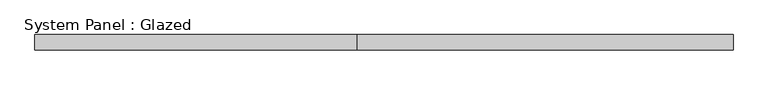
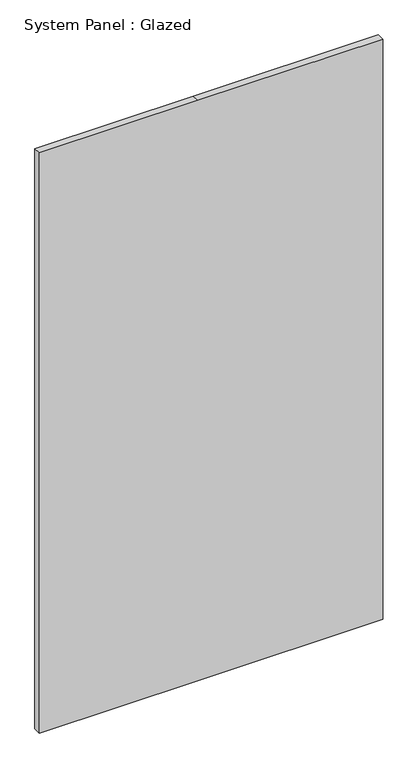
"""IFC4 building model written with IfcOpenShell, lengths in millimetres: plate geometry, System Panel : Glazed."""

import ifcopenshell
import ifcopenshell.guid

model = None  # the IFC model being written
_history = None  # IfcOwnerHistory: only IFC2X3 demands one
_inside = {}  # id of a spatial element -> (the spatial element, [elements in it])
_under = {}  # id of a project, library or spatial element -> (it, [spatial elements below it])
_declared = {}  # id of a project -> (the project, [libraries it declares])
_typed = {}  # id of a type object -> (the type object, [elements of that type])
_made_of = {}  # id of a material, layer set ... -> (it, [elements and type objects made of it])


def new_model(schema):
    """Start an empty IFC model of exactly this schema.

    Asked for "IFC4X3", IfcOpenShell would pick the latest addendum, in which some entities
    have other attributes; the version numbers below select the first issue.
    IFC2X3 requires an IfcOwnerHistory on every rooted entity: one is made here for all.
    """
    global model, _history
    if schema == "IFC4X3":
        model = ifcopenshell.file(schema_version=(4, 3, 0, 0))
    else:
        model = ifcopenshell.file(schema=schema)
    _inside.clear()
    _under.clear()
    _declared.clear()
    _typed.clear()
    _made_of.clear()
    _history = None
    if model.schema == "IFC2X3":
        org = make("IfcOrganization", Name="unknown")
        user = make(
            "IfcPersonAndOrganization",
            ThePerson=make("IfcPerson", FamilyName="unknown"),
            TheOrganization=org,
        )
        app = make(
            "IfcApplication",
            ApplicationDeveloper=org,
            Version="unknown",
            ApplicationFullName="unknown",
            ApplicationIdentifier="unknown",
        )
        _history = make(
            "IfcOwnerHistory",
            OwningUser=user,
            OwningApplication=app,
            ChangeAction="ADDED",
            CreationDate=0,
        )
    return model


def make(cls, **values):
    """One entity of the class cls with the attributes given. An attribute that is None is left unset."""
    return model.create_entity(
        cls, **{name: value for name, value in values.items() if value is not None}
    )


def rooted(cls, **values):
    """An entity with a GlobalId (a new one), such as an element, a storey or a relation."""
    return make(cls, GlobalId=ifcopenshell.guid.new(), OwnerHistory=_history, **values)


def si_unit(unit_type, name, prefix=None):
    """IfcSIUnit, for example si_unit("LENGTHUNIT", "METRE", prefix="MILLI")."""
    return make("IfcSIUnit", UnitType=unit_type, Prefix=prefix, Name=name)


def assignment(units):
    """IfcUnitAssignment: the units of a project."""
    return None if units is None else make("IfcUnitAssignment", Units=units)


def point(xyz):
    """IfcCartesianPoint."""
    return None if xyz is None else make("IfcCartesianPoint", Coordinates=xyz)


def direction(xyz):
    """IfcDirection."""
    return None if xyz is None else make("IfcDirection", DirectionRatios=xyz)


def frame(location, z_axis=None, x_axis=None):
    """IfcAxis2Placement3D, a coordinate frame: its origin and axes. An axis left out is left unset."""
    return make(
        "IfcAxis2Placement3D",
        Location=point(location),
        Axis=direction(z_axis),
        RefDirection=direction(x_axis),
    )


def origin():
    """The frame at (0, 0, 0) with its axes left unset."""
    return frame((0.0, 0.0, 0.0))


def place(relative_to, where):
    """IfcLocalPlacement: puts the frame where relative to a parent placement (None: the world)."""
    return make(
        "IfcLocalPlacement", PlacementRelTo=relative_to, RelativePlacement=where
    )


def context(
    kind, dimensions, precision=None, world=None, true_north=None, identifier=None
):
    """IfcGeometricRepresentationContext, for example the 3D "Model" context."""
    return make(
        "IfcGeometricRepresentationContext",
        ContextIdentifier=identifier,
        ContextType=kind,
        CoordinateSpaceDimension=dimensions,
        Precision=precision,
        WorldCoordinateSystem=world,
        TrueNorth=true_north,
    )


def project(units=None, contexts=None):
    """IfcProject with its units and contexts."""
    return rooted(
        "IfcProject",
        Name="project",
        RepresentationContexts=contexts,
        UnitsInContext=assignment(units),
    )


def spatial(cls, under=None, at=None, **own):
    """A site, building, storey or space (cls), placed at a placement, below another one or the project."""
    s = rooted(cls, ObjectPlacement=at, **own)
    if under is not None:
        _under.setdefault(under.id(), (under, []))[1].append(s)
    return s


def polyline(points):
    """IfcPolyline through the points."""
    return make("IfcPolyline", Points=[point(p) for p in points])


def outline(outer, holes=None, kind="AREA"):
    """IfcArbitraryClosedProfileDef: a profile drawn as a closed curve; with holes, ...WithVoids."""
    if holes is None:
        return make("IfcArbitraryClosedProfileDef", ProfileType=kind, OuterCurve=outer)
    return make(
        "IfcArbitraryProfileDefWithVoids",
        ProfileType=kind,
        OuterCurve=outer,
        InnerCurves=holes,
    )


def extrude(swept, where, along, depth):
    """IfcExtrudedAreaSolid: the profile swept, set in the frame where, extruded along a direction by depth."""
    return make(
        "IfcExtrudedAreaSolid",
        SweptArea=swept,
        Position=where,
        ExtrudedDirection=direction(along),
        Depth=depth,
    )


def shape(context_of_items, identifier, shape_type, items):
    """IfcShapeRepresentation: the items that make up one representation, for example the "Body"."""
    return make(
        "IfcShapeRepresentation",
        ContextOfItems=context_of_items,
        RepresentationIdentifier=identifier,
        RepresentationType=shape_type,
        Items=items,
    )


def source(mapping_origin, context_of_items, identifier, shape_type, items):
    """IfcRepresentationMap: a shape defined once, which mapped items show again and again."""
    return make(
        "IfcRepresentationMap",
        MappingOrigin=mapping_origin,
        MappedRepresentation=shape(context_of_items, identifier, shape_type, items),
    )


def transform(
    local_origin,
    x_axis=None,
    y_axis=None,
    z_axis=None,
    scale=None,
    scale2=None,
    scale3=None,
    uniform=True,
):
    """IfcCartesianTransformationOperator3D, or its non-uniform kind. x_axis, y_axis, z_axis: its Axis1, 2, 3."""
    if uniform:
        return make(
            "IfcCartesianTransformationOperator3D",
            Axis1=direction(x_axis),
            Axis2=direction(y_axis),
            LocalOrigin=point(local_origin),
            Scale=scale,
            Axis3=direction(z_axis),
        )
    return make(
        "IfcCartesianTransformationOperator3DnonUniform",
        Axis1=direction(x_axis),
        Axis2=direction(y_axis),
        LocalOrigin=point(local_origin),
        Scale=scale,
        Axis3=direction(z_axis),
        Scale2=scale2,
        Scale3=scale3,
    )


def mapped(mapping_source, mapping_target):
    """IfcMappedItem: shows the shape of a source again, moved by a transform."""
    return make(
        "IfcMappedItem", MappingSource=mapping_source, MappingTarget=mapping_target
    )


def made_of(thing, what):
    """Note that an element or type object is made of a material, layer set ...; save() writes the relation."""
    if what is not None:
        _made_of.setdefault(what.id(), (what, []))[1].append(thing)
    return thing


def element(
    cls,
    number,
    at=None,
    inside=None,
    cuts=None,
    type_object=None,
    material=None,
    context=None,
    identifier="Body",
    shape_type=None,
    held_by="IfcProductDefinitionShape",
    body=None,
    shapes=None,
    **own,
):
    """One element of the class cls, such as IfcWall. Its Tag is "e" and its number.

    at: its placement. inside: the storey or other place that contains it. cuts: it is an
    opening in that element (IfcRelVoidsElement). A single representation is given by context,
    identifier, shape_type and body (its items); several are given by shapes. held_by: the class
    of the entity that holds the representations. save() writes the other relations.
    """
    e = rooted(cls, Tag="e%d" % number, ObjectPlacement=at, **own)
    if body is not None:
        shapes = [shape(context, identifier, shape_type, body)]
    if shapes is not None:
        e.Representation = make(held_by, Representations=shapes)
    if inside is not None:
        _inside.setdefault(inside.id(), (inside, []))[1].append(e)
    if cuts is not None:
        rooted(
            "IfcRelVoidsElement", RelatingBuildingElement=cuts, RelatedOpeningElement=e
        )
    if type_object is not None:
        _typed.setdefault(type_object.id(), (type_object, []))[1].append(e)
    return made_of(e, material)


def aggregate(whole, parts):
    """IfcRelAggregates: a whole, such as a stair, and the parts it consists of."""
    return rooted("IfcRelAggregates", RelatingObject=whole, RelatedObjects=parts)


def save(model, path):
    """Write the relations noted so far, then the file.

    IfcRelAggregates (storeys below a building ...), IfcRelContainedInSpatialStructure (elements
    in a storey), IfcRelDefinesByType, IfcRelAssociatesMaterial and IfcRelDeclares: one each for
    every whole, place, type object, material and project.
    """
    for whole, parts in _under.values():
        aggregate(whole, parts)
    for where, things in _inside.values():
        rooted(
            "IfcRelContainedInSpatialStructure",
            RelatedElements=things,
            RelatingStructure=where,
        )
    for kind, things in _typed.values():
        rooted("IfcRelDefinesByType", RelatedObjects=things, RelatingType=kind)
    for what, things in _made_of.values():
        rooted("IfcRelAssociatesMaterial", RelatedObjects=things, RelatingMaterial=what)
    for by, libraries in _declared.values():
        rooted("IfcRelDeclares", RelatingContext=by, RelatedDefinitions=libraries)
    model.write(path)


def system_panel_glazed_7523e9cc(model_context):
    return source(origin(), model_context, "Body", "SweptSolid", [
        extrude(outline(polyline([(0.0, -586.5952525), (0.0, -45.2297475), (0.0, 586.5952525), (2095.5, 586.5952525), (2095.5, -45.2297475), (2095.5, -586.5952525), (0.0, -586.5952525)])), frame((0.0, -44.45, 0.0), z_axis=(0.0, 1.0, 0.0), x_axis=(0.0, 0.0, 1.0)), (0.0, 0.0, 1.0), 25.4),
    ])


if __name__ == "__main__":
    model = new_model("IFC4")
    model_context = context("Model", 3, world=origin())
    ifc_project = project(units=[si_unit("LENGTHUNIT", "METRE", prefix="MILLI")], contexts=[model_context])
    site = spatial("IfcSite", under=ifc_project)
    building = spatial("IfcBuilding", under=site)
    placement = place(None, origin())
    system_panel_glazed_shape = system_panel_glazed_7523e9cc(model_context)
    element("IfcPlate", 1, ObjectType="System Panel : Glazed", at=placement, inside=building, context=model_context, shape_type="MappedRepresentation", body=[
        mapped(system_panel_glazed_shape, transform((0.0, 0.0, 0.0), x_axis=(1.0, 0.0, 0.0), y_axis=(0.0, 1.0, 0.0), z_axis=(0.0, 0.0, 1.0))),
    ])
    save(model, "model.ifc")
